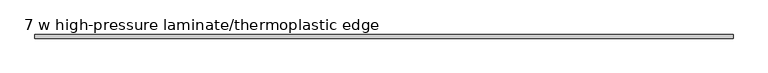
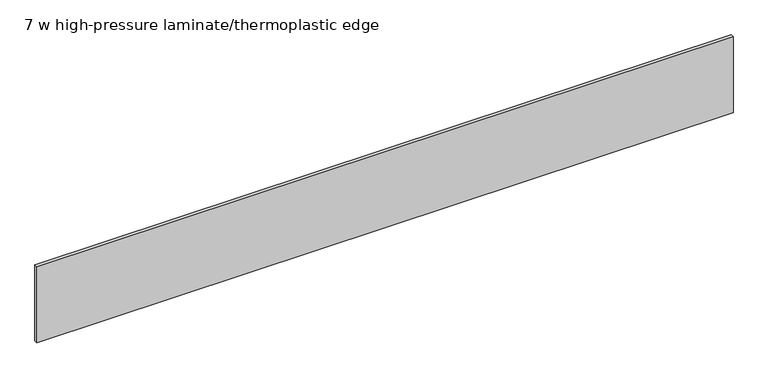
"""IFC4 building model written with IfcOpenShell, lengths in millimetres: furniture geometry, 7 w high-pressure laminate/thermoplastic edge."""

from ifc_helpers import new_model, si_unit, origin, origin_with_axes, place, context, project, spatial, polyline, outline, extrude, source, transform, mapped, element, save


def furniture_7_w_high_pressure_laminate_thermoplastic_edge_1092b692(model_context):
    return source(origin(), model_context, "Body", "SweptSolid", [
        extrude(outline(polyline([(0.5999988, 0.0), (0.5999988, 10.9999997), (2133.0000366, 10.9999997), (2133.0000366, 0.0), (0.5999988, 0.0)])), origin_with_axes(), (0.0, 0.0, 1.0), 245.349995),
    ])


if __name__ == "__main__":
    model = new_model("IFC4")
    model_context = context("Model", 3, world=origin())
    ifc_project = project(units=[si_unit("LENGTHUNIT", "METRE", prefix="MILLI")], contexts=[model_context])
    site = spatial("IfcSite", under=ifc_project)
    building = spatial("IfcBuilding", under=site)
    placement = place(None, origin())
    furniture_7_w_high_pressure_laminate_thermoplastic_edge_shape = furniture_7_w_high_pressure_laminate_thermoplastic_edge_1092b692(model_context)
    element("IfcFurniture", 1, ObjectType="7 w high-pressure laminate/thermoplastic edge", at=placement, inside=building, context=model_context, shape_type="MappedRepresentation", body=[
        mapped(furniture_7_w_high_pressure_laminate_thermoplastic_edge_shape, transform((0.0, 0.0, 0.0), x_axis=(1.0, 0.0, 0.0), y_axis=(0.0, 1.0, 0.0), z_axis=(0.0, 0.0, 1.0))),
    ])
    save(model, "model.ifc")
